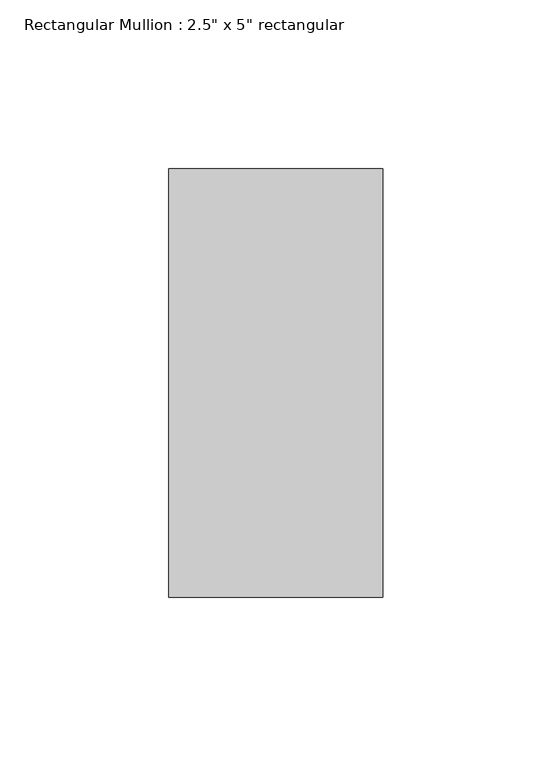
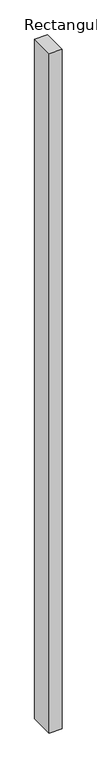
"""IFC4 building model written with IfcOpenShell, lengths in millimetres: member geometry."""

from ifc_helpers import new_model, si_unit, frame, origin, place, context, project, spatial, polyline, outline, extrude, source, transform, mapped, element, save


def member_0cd5e66c(model_context):
    return source(origin(), model_context, "Body", "SweptSolid", [
        extrude(outline(polyline([(31.75, 63.5), (31.75, -63.5), (-31.75, -63.5), (-31.75, 63.5), (31.75, 63.5)])), frame((0.0, 0.0, -3616.0229807), z_axis=(0.0, 0.0, 1.0), x_axis=(1.0, 0.0, 0.0)), (0.0, 0.0, 1.0), 3616.0229807),
    ])


if __name__ == "__main__":
    model = new_model("IFC4")
    model_context = context("Model", 3, world=origin())
    ifc_project = project(units=[si_unit("LENGTHUNIT", "METRE", prefix="MILLI")], contexts=[model_context])
    site = spatial("IfcSite", under=ifc_project)
    building = spatial("IfcBuilding", under=site)
    placement = place(None, origin())
    member_shape = member_0cd5e66c(model_context)
    element("IfcMember", 1, ObjectType="Rectangular Mullion : 2.5\" x 5\" rectangular", at=placement, inside=building, context=model_context, shape_type="MappedRepresentation", body=[
        mapped(member_shape, transform((0.0, 0.0, 0.0), x_axis=(1.0, 0.0, 0.0), y_axis=(0.0, 1.0, 0.0), z_axis=(0.0, 0.0, 1.0))),
    ])
    save(model, "model.ifc")
